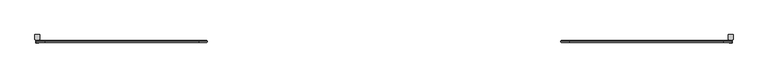
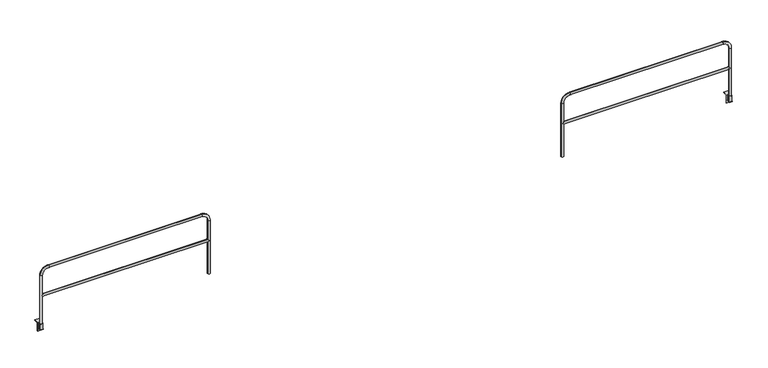
"""IFC4 building model written with IfcOpenShell, lengths in millimetres: railing geometry."""

import ifcopenshell
import ifcopenshell.guid

model = None  # the IFC model being written
_history = None  # IfcOwnerHistory: only IFC2X3 demands one
_inside = {}  # id of a spatial element -> (the spatial element, [elements in it])
_under = {}  # id of a project, library or spatial element -> (it, [spatial elements below it])
_declared = {}  # id of a project -> (the project, [libraries it declares])
_typed = {}  # id of a type object -> (the type object, [elements of that type])
_made_of = {}  # id of a material, layer set ... -> (it, [elements and type objects made of it])


def new_model(schema):
    """Start an empty IFC model of exactly this schema.

    Asked for "IFC4X3", IfcOpenShell would pick the latest addendum, in which some entities
    have other attributes; the version numbers below select the first issue.
    IFC2X3 requires an IfcOwnerHistory on every rooted entity: one is made here for all.
    """
    global model, _history
    if schema == "IFC4X3":
        model = ifcopenshell.file(schema_version=(4, 3, 0, 0))
    else:
        model = ifcopenshell.file(schema=schema)
    _inside.clear()
    _under.clear()
    _declared.clear()
    _typed.clear()
    _made_of.clear()
    _history = None
    if model.schema == "IFC2X3":
        org = make("IfcOrganization", Name="unknown")
        user = make(
            "IfcPersonAndOrganization",
            ThePerson=make("IfcPerson", FamilyName="unknown"),
            TheOrganization=org,
        )
        app = make(
            "IfcApplication",
            ApplicationDeveloper=org,
            Version="unknown",
            ApplicationFullName="unknown",
            ApplicationIdentifier="unknown",
        )
        _history = make(
            "IfcOwnerHistory",
            OwningUser=user,
            OwningApplication=app,
            ChangeAction="ADDED",
            CreationDate=0,
        )
    return model


def make(cls, **values):
    """One entity of the class cls with the attributes given. An attribute that is None is left unset."""
    return model.create_entity(
        cls, **{name: value for name, value in values.items() if value is not None}
    )


def rooted(cls, **values):
    """An entity with a GlobalId (a new one), such as an element, a storey or a relation."""
    return make(cls, GlobalId=ifcopenshell.guid.new(), OwnerHistory=_history, **values)


def si_unit(unit_type, name, prefix=None):
    """IfcSIUnit, for example si_unit("LENGTHUNIT", "METRE", prefix="MILLI")."""
    return make("IfcSIUnit", UnitType=unit_type, Prefix=prefix, Name=name)


def assignment(units):
    """IfcUnitAssignment: the units of a project."""
    return None if units is None else make("IfcUnitAssignment", Units=units)


def point(xyz):
    """IfcCartesianPoint."""
    return None if xyz is None else make("IfcCartesianPoint", Coordinates=xyz)


def direction(xyz):
    """IfcDirection."""
    return None if xyz is None else make("IfcDirection", DirectionRatios=xyz)


def frame(location, z_axis=None, x_axis=None):
    """IfcAxis2Placement3D, a coordinate frame: its origin and axes. An axis left out is left unset."""
    return make(
        "IfcAxis2Placement3D",
        Location=point(location),
        Axis=direction(z_axis),
        RefDirection=direction(x_axis),
    )


def frame_2d(location, x_axis=None):
    """IfcAxis2Placement2D, a coordinate frame in the plane: its origin and x axis."""
    return make(
        "IfcAxis2Placement2D", Location=point(location), RefDirection=direction(x_axis)
    )


def origin():
    """The frame at (0, 0, 0) with its axes left unset."""
    return frame((0.0, 0.0, 0.0))


def place(relative_to, where):
    """IfcLocalPlacement: puts the frame where relative to a parent placement (None: the world)."""
    return make(
        "IfcLocalPlacement", PlacementRelTo=relative_to, RelativePlacement=where
    )


def context(
    kind, dimensions, precision=None, world=None, true_north=None, identifier=None
):
    """IfcGeometricRepresentationContext, for example the 3D "Model" context."""
    return make(
        "IfcGeometricRepresentationContext",
        ContextIdentifier=identifier,
        ContextType=kind,
        CoordinateSpaceDimension=dimensions,
        Precision=precision,
        WorldCoordinateSystem=world,
        TrueNorth=true_north,
    )


def project(units=None, contexts=None):
    """IfcProject with its units and contexts."""
    return rooted(
        "IfcProject",
        Name="project",
        RepresentationContexts=contexts,
        UnitsInContext=assignment(units),
    )


def spatial(cls, under=None, at=None, **own):
    """A site, building, storey or space (cls), placed at a placement, below another one or the project."""
    s = rooted(cls, ObjectPlacement=at, **own)
    if under is not None:
        _under.setdefault(under.id(), (under, []))[1].append(s)
    return s


def polyline(points):
    """IfcPolyline through the points."""
    return make("IfcPolyline", Points=[point(p) for p in points])


def circle_curve(where, radius):
    """IfcCircle in the frame where."""
    return make("IfcCircle", Position=where, Radius=radius)


def ellipse_curve(where, semi_axis1, semi_axis2):
    """IfcEllipse in the frame where."""
    return make(
        "IfcEllipse", Position=where, SemiAxis1=semi_axis1, SemiAxis2=semi_axis2
    )


def trimmed(basis, trim1, trim2, sense, master):
    """IfcTrimmedCurve: the piece of a basis curve between two trims."""
    return make(
        "IfcTrimmedCurve",
        BasisCurve=basis,
        Trim1=trim1,
        Trim2=trim2,
        SenseAgreement=sense,
        MasterRepresentation=master,
    )


def segment(curve, same_sense, transition):
    """IfcCompositeCurveSegment."""
    return make(
        "IfcCompositeCurveSegment",
        Transition=transition,
        SameSense=same_sense,
        ParentCurve=curve,
    )


def composite_curve(segments, self_intersect=None):
    """IfcCompositeCurve: segments joined end to end."""
    return make("IfcCompositeCurve", Segments=segments, SelfIntersect=self_intersect)


def outline(outer, holes=None, kind="AREA"):
    """IfcArbitraryClosedProfileDef: a profile drawn as a closed curve; with holes, ...WithVoids."""
    if holes is None:
        return make("IfcArbitraryClosedProfileDef", ProfileType=kind, OuterCurve=outer)
    return make(
        "IfcArbitraryProfileDefWithVoids",
        ProfileType=kind,
        OuterCurve=outer,
        InnerCurves=holes,
    )


def extrude(swept, where, along, depth):
    """IfcExtrudedAreaSolid: the profile swept, set in the frame where, extruded along a direction by depth."""
    return make(
        "IfcExtrudedAreaSolid",
        SweptArea=swept,
        Position=where,
        ExtrudedDirection=direction(along),
        Depth=depth,
    )


def shape(context_of_items, identifier, shape_type, items):
    """IfcShapeRepresentation: the items that make up one representation, for example the "Body"."""
    return make(
        "IfcShapeRepresentation",
        ContextOfItems=context_of_items,
        RepresentationIdentifier=identifier,
        RepresentationType=shape_type,
        Items=items,
    )


def source(mapping_origin, context_of_items, identifier, shape_type, items):
    """IfcRepresentationMap: a shape defined once, which mapped items show again and again."""
    return make(
        "IfcRepresentationMap",
        MappingOrigin=mapping_origin,
        MappedRepresentation=shape(context_of_items, identifier, shape_type, items),
    )


def transform(
    local_origin,
    x_axis=None,
    y_axis=None,
    z_axis=None,
    scale=None,
    scale2=None,
    scale3=None,
    uniform=True,
):
    """IfcCartesianTransformationOperator3D, or its non-uniform kind. x_axis, y_axis, z_axis: its Axis1, 2, 3."""
    if uniform:
        return make(
            "IfcCartesianTransformationOperator3D",
            Axis1=direction(x_axis),
            Axis2=direction(y_axis),
            LocalOrigin=point(local_origin),
            Scale=scale,
            Axis3=direction(z_axis),
        )
    return make(
        "IfcCartesianTransformationOperator3DnonUniform",
        Axis1=direction(x_axis),
        Axis2=direction(y_axis),
        LocalOrigin=point(local_origin),
        Scale=scale,
        Axis3=direction(z_axis),
        Scale2=scale2,
        Scale3=scale3,
    )


def mapped(mapping_source, mapping_target):
    """IfcMappedItem: shows the shape of a source again, moved by a transform."""
    return make(
        "IfcMappedItem", MappingSource=mapping_source, MappingTarget=mapping_target
    )


def made_of(thing, what):
    """Note that an element or type object is made of a material, layer set ...; save() writes the relation."""
    if what is not None:
        _made_of.setdefault(what.id(), (what, []))[1].append(thing)
    return thing


def element(
    cls,
    number,
    at=None,
    inside=None,
    cuts=None,
    type_object=None,
    material=None,
    context=None,
    identifier="Body",
    shape_type=None,
    held_by="IfcProductDefinitionShape",
    body=None,
    shapes=None,
    **own,
):
    """One element of the class cls, such as IfcWall. Its Tag is "e" and its number.

    at: its placement. inside: the storey or other place that contains it. cuts: it is an
    opening in that element (IfcRelVoidsElement). A single representation is given by context,
    identifier, shape_type and body (its items); several are given by shapes. held_by: the class
    of the entity that holds the representations. save() writes the other relations.
    """
    e = rooted(cls, Tag="e%d" % number, ObjectPlacement=at, **own)
    if body is not None:
        shapes = [shape(context, identifier, shape_type, body)]
    if shapes is not None:
        e.Representation = make(held_by, Representations=shapes)
    if inside is not None:
        _inside.setdefault(inside.id(), (inside, []))[1].append(e)
    if cuts is not None:
        rooted(
            "IfcRelVoidsElement", RelatingBuildingElement=cuts, RelatedOpeningElement=e
        )
    if type_object is not None:
        _typed.setdefault(type_object.id(), (type_object, []))[1].append(e)
    return made_of(e, material)


def aggregate(whole, parts):
    """IfcRelAggregates: a whole, such as a stair, and the parts it consists of."""
    return rooted("IfcRelAggregates", RelatingObject=whole, RelatedObjects=parts)


def save(model, path):
    """Write the relations noted so far, then the file.

    IfcRelAggregates (storeys below a building ...), IfcRelContainedInSpatialStructure (elements
    in a storey), IfcRelDefinesByType, IfcRelAssociatesMaterial and IfcRelDeclares: one each for
    every whole, place, type object, material and project.
    """
    for whole, parts in _under.values():
        aggregate(whole, parts)
    for where, things in _inside.values():
        rooted(
            "IfcRelContainedInSpatialStructure",
            RelatedElements=things,
            RelatingStructure=where,
        )
    for kind, things in _typed.values():
        rooted("IfcRelDefinesByType", RelatedObjects=things, RelatingType=kind)
    for what, things in _made_of.values():
        rooted("IfcRelAssociatesMaterial", RelatedObjects=things, RelatingMaterial=what)
    for by, libraries in _declared.values():
        rooted("IfcRelDeclares", RelatingContext=by, RelatedDefinitions=libraries)
    model.write(path)


def plane_surface(at):
    """IfcPlane: the flat surface through the origin of the frame at, square to its z axis."""
    return make("IfcPlane", Position=at)


def cylinder_surface(at, radius):
    """IfcCylindricalSurface: all points at the distance radius from the z axis of the frame at."""
    return make("IfcCylindricalSurface", Position=at, Radius=radius)


def revolved_surface(curve, axis_point, axis_direction):
    """IfcSurfaceOfRevolution: the curve turned about the line through axis_point along axis_direction."""
    return make(
        "IfcSurfaceOfRevolution",
        SweptCurve=make("IfcArbitraryOpenProfileDef", ProfileType="CURVE", Curve=curve),
        AxisPosition=make("IfcAxis1Placement", Location=point(axis_point), Axis=direction(axis_direction)),
    )


def advanced_brep(points, edges, surfaces, faces):
    """IfcAdvancedBrep: a solid bounded by faces that lie on surfaces and meet in shared edges.

    An edge is (start, end): straight between two places in points (the first is 0);
    or (start, end, curve); or (start, end, curve, False) where it runs against its curve.
    A face is (place in surfaces, loops), or (place, loops, False) where it looks against
    its surface's normal. A loop lists edges by number (the first is 1), with a minus sign
    where the edge is run from its end to its start. The first loop is the outer one.
    """
    corners = [point(p) for p in points]
    vertices = [make("IfcVertexPoint", VertexGeometry=c) for c in corners]
    made = []
    for start, end, *more in edges:
        made.append(
            make(
                "IfcEdgeCurve",
                EdgeStart=vertices[start],
                EdgeEnd=vertices[end],
                EdgeGeometry=more[0] if more else make("IfcPolyline", Points=[corners[start], corners[end]]),
                SameSense=more[1] if len(more) > 1 else True,
            )
        )
    hull = []
    for where, loops, *sense in faces:
        bounds = []
        for j, loop in enumerate(loops):
            ring = [make("IfcOrientedEdge", EdgeElement=made[abs(k) - 1], Orientation=k > 0) for k in loop]
            bounds.append(
                make(
                    "IfcFaceOuterBound" if j == 0 else "IfcFaceBound",
                    Bound=make("IfcEdgeLoop", EdgeList=ring),
                    Orientation=True,
                )
            )
        hull.append(make("IfcAdvancedFace", Bounds=bounds, FaceSurface=surfaces[where], SameSense=sense[0] if sense else True))
    return make("IfcAdvancedBrep", Outer=make("IfcClosedShell", CfsFaces=hull))


def railing_5fa0f4e5(model_context):
    return source(origin(), model_context, "Body", "SolidModel", [
        advanced_brep(
        [(28109.8496377, 9318.0676937, -95.25), (28109.8496377, 9345.0551937, -95.25), (28109.8496377, 9383.1551937, -95.25), (28109.8496377, 9383.1551937, -101.6), (28109.8496377, 9318.0676937, -101.6), (28109.8496377, 9383.1551937, 6.35), (28109.8496377, 9383.1551937, 0.0), (28109.8496377, 9345.0551937, 0.0), (28109.8496377, 9345.0551937, 6.35), (28163.8246377, 9383.1551937, -101.6), (28163.8246377, 9383.1551937, -95.25), (28163.8246377, 9345.0551937, -95.25), (28163.8246377, 9318.0676937, -95.25), (28163.8246377, 9318.0676937, -101.6), (28163.8246377, 9383.1551937, 0.0), (28163.8246377, 9383.1551937, 6.35), (28163.8246377, 9345.0551937, 6.35), (28163.8246377, 9345.0551937, 0.0), (28178.205601, 9465.7051937, 6.35), (28095.4686744, 9465.7051937, 6.35), (28095.4686744, 9383.1551937, 6.35), (28178.205601, 9383.1551937, 6.35), (28178.205601, 9465.7051937, 0.0), (28095.4686744, 9465.7051937, 0.0), (28178.205601, 9389.5051937, 0.0), (28163.8246377, 9389.5051937, 0.0), (28109.8496377, 9389.5051937, 0.0), (28095.4686744, 9389.5051937, 0.0), (28163.8246377, 9389.5051937, -95.25), (28178.205601, 9389.5051937, -152.4), (28095.4686744, 9389.5051937, -152.4), (28109.8496377, 9389.5051937, -95.25), (28136.8371377, 9318.0676937, -95.25), (28178.205601, 9383.1551937, -152.4), (28095.4686744, 9383.1551937, -152.4)],
        [
            (0, 1),
            (1, 2),
            (2, 3),
            (3, 4),
            (4, 0),
            (5, 6),
            (6, 7),
            (7, 8),
            (8, 5),
            (9, 10),
            (10, 11),
            (11, 12),
            (12, 13),
            (13, 9),
            (14, 15),
            (15, 16),
            (16, 17),
            (17, 14),
            (18, 19),
            (19, 20),
            (20, 5),
            (8, 16, circle_curve(frame((28136.8371377, 9345.0551937, 6.35), z_axis=(0.0, 0.0, -1.0), x_axis=(-1.0, 0.0, 0.0)), 26.9875)),
            (15, 21),
            (21, 18),
            (22, 23),
            (23, 19),
            (18, 22),
            (24, 25),
            (25, 14),
            (17, 7, circle_curve(frame((28136.8371377, 9345.0551937, 0.0), z_axis=(0.0, 0.0, 1.0), x_axis=(-1.0, 0.0, 0.0)), 26.9875)),
            (6, 26),
            (26, 27),
            (27, 23),
            (22, 24),
            (28, 25),
            (24, 29),
            (29, 30),
            (30, 27),
            (26, 31),
            (31, 28),
            (31, 2),
            (0, 32),
            (32, 12),
            (10, 28),
            (4, 13),
            (3, 9),
            (21, 33),
            (33, 29),
            (10, 14),
            (30, 34),
            (34, 20),
            (6, 2),
            (34, 33),
        ],
        [
            plane_surface(frame((28109.8496377, 9389.5051937, 0.0), z_axis=(-1.0, 0.0, 0.0), x_axis=(0.0, 0.0, 1.0))),
            plane_surface(frame((28163.8246377, 9389.5051937, 0.0), z_axis=(1.0, 0.0, 0.0), x_axis=(0.0, 0.0, 1.0))),
            plane_surface(frame((28109.8496377, 9465.7051937, 6.35), z_axis=(0.0, 0.0, 1.0), x_axis=(1.0, 0.0, 0.0))),
            plane_surface(frame((28109.8496377, 9465.7051937, 0.0), z_axis=(0.0, 1.0, 0.0), x_axis=(1.0, 0.0, 0.0))),
            plane_surface(frame((28109.8496377, 9345.0551937, 0.0), z_axis=(0.0, 0.0, -1.0), x_axis=(1.0, 0.0, 0.0))),
            plane_surface(frame((28109.8496377, 9389.5051937, -152.4), z_axis=(0.0, 1.0, 0.0), x_axis=(1.0, 0.0, 0.0))),
            plane_surface(frame((28109.8496377, 9389.5051937, -95.25), z_axis=(0.0, 0.0, 1.0), x_axis=(1.0, 0.0, 0.0))),
            plane_surface(frame((28109.8496377, 9318.0676937, -95.25), z_axis=(0.0, -1.0, 0.0), x_axis=(1.0, 0.0, 0.0))),
            plane_surface(frame((28109.8496377, 9318.0676937, -101.6), z_axis=(0.0, 0.0, -1.0), x_axis=(1.0, 0.0, 0.0))),
            plane_surface(frame((28178.205601, 9389.5051937, 0.0), z_axis=(1.0, 0.0, 0.0), x_axis=(0.0, 0.0, 1.0))),
            plane_surface(frame((28163.8246377, 9389.5051937, 0.0), z_axis=(-1.0, 0.0, 0.0), x_axis=(0.0, 0.0, 1.0))),
            plane_surface(frame((28095.4686744, 9389.5051937, 0.0), z_axis=(-1.0, 0.0, 0.0), x_axis=(0.0, 0.0, 1.0))),
            plane_surface(frame((28109.8496377, 9389.5051937, 0.0), z_axis=(1.0, 0.0, 0.0), x_axis=(0.0, 0.0, 1.0))),
            revolved_surface(polyline([(28109.8496377, 9345.0551937, 6.349999999999994), (28109.8496377, 9345.0551937, 0.0)]), (28136.8371377, 9345.0551937, -95.25), (0.0, 0.0, 1.0)),
            plane_surface(frame((28109.8496377, 9383.1551937, -101.6), z_axis=(0.0, -1.0, 0.0), x_axis=(1.0, 0.0, 0.0))),
            plane_surface(frame((28109.8496377, 9383.1551937, -152.4), z_axis=(0.0, 0.0, -1.0), x_axis=(1.0, 0.0, 0.0))),
        ],
        [
            (0, [[1, 2, 3, 4, 5]]),
            (0, [[6, 7, 8, 9]]),
            (1, [[10, 11, 12, 13, 14]]),
            (1, [[15, 16, 17, 18]]),
            (2, [[19, 20, 21, -9, 22, -16, 23, 24]]),
            (3, [[25, 26, -19, 27]]),
            (4, [[28, 29, -18, 30, -7, 31, 32, 33, -25, 34]]),
            (5, [[35, -28, 36, 37, 38, -32, 39, 40]]),
            (6, [[41, -2, -1, 42, 43, -12, -11, 44, -40]]),
            (7, [[45, -13, -43, -42, -5]]),
            (8, [[46, -14, -45, -4]]),
            (9, [[-36, -34, -27, -24, 47, 48]]),
            (10, [[-44, 49, -29, -35]]),
            (11, [[50, 51, -20, -26, -33, -38]]),
            (12, [[-31, 52, -41, -39]]),
            (13, [[-30, -17, -22, -8]]),
            (14, [[-3, -52, -6, -21, -51, 53, -47, -23, -15, -49, -10, -46]]),
            (15, [[-53, -50, -37, -48]]),
        ],
    ),
        extrude(outline(composite_curve([segment(trimmed(circle_curve(frame_2d((28136.8371377, 9345.0551937)), 26.9875), [point((28163.8246377, 9345.0551937))], [point((28109.8496377, 9345.0551937))], False, "CARTESIAN"), True, "CONTINUOUS"), segment(trimmed(circle_curve(frame_2d((28136.8371377, 9345.0551937)), 26.9875), [point((28109.8496377, 9345.0551937))], [point((28163.8246377, 9345.0551937))], False, "CARTESIAN"), True, "CONTINUOUS")], self_intersect=False), holes=[composite_curve([segment(trimmed(circle_curve(frame_2d((28136.8371377, 9345.0551937)), 20.6375), [point((28157.4746377, 9345.0551937))], [point((28116.1996377, 9345.0551937))], True, "CARTESIAN"), True, "CONTINUOUS"), segment(trimmed(circle_curve(frame_2d((28136.8371377, 9345.0551937)), 20.6375), [point((28116.1996377, 9345.0551937))], [point((28157.4746377, 9345.0551937))], True, "CARTESIAN"), True, "CONTINUOUS")], self_intersect=False)]), frame((0.0, 0.0, -95.25), z_axis=(0.0, 0.0, 1.0), x_axis=(1.0, 0.0, 0.0)), (0.0, 0.0, 1.0), 101.6),
        advanced_brep(
        [(25150.7496377, 9345.0551937, 554.0375), (25130.1121377, 9324.4176937, 533.4), (25150.7496377, 9345.0551937, 512.7625), (28116.1996377, 9345.0551937, 512.7625), (28136.8371377, 9324.4176937, 533.4), (28116.1996377, 9345.0551937, 554.0375), (28136.8371377, 9365.6926937, 533.4), (25130.1121377, 9365.6926937, 533.4), (25109.4746377, 9345.0551937, -95.25), (25150.7496377, 9345.0551937, -95.25), (25150.7496377, 9345.0551937, 914.4), (25109.4746377, 9345.0551937, 914.4), (25261.8746377, 9345.0551937, 1025.525), (25261.8746377, 9345.0551937, 1066.8), (28005.0746377, 9345.0551937, 1025.525), (28005.0746377, 9345.0551937, 1066.8), (28116.1996377, 9345.0551937, 914.4), (28157.4746377, 9345.0551937, 914.4), (28157.4746377, 9345.0551937, -95.25), (28116.1996377, 9345.0551937, -95.25)],
        [
            (0, 1, ellipse_curve(frame((25130.1121377, 9345.0551937, 533.4), z_axis=(0.7071067811865475, 0.0, -0.7071067811865475), x_axis=(-0.7071067811865476, 0.0, -0.7071067811865474)), 29.1858324, 20.6375)),
            (1, 2, ellipse_curve(frame((25130.1121377, 9345.0551937, 533.4), z_axis=(0.7071067811865475, 0.0, 0.7071067811865475), x_axis=(-0.7071067811865476, 0.0, 0.7071067811865474)), 29.1858324, 20.6375)),
            (2, 3),
            (3, 4, ellipse_curve(frame((28136.8371377, 9345.0551937, 533.4), z_axis=(-0.7071067811865475, 0.0, 0.7071067811865475), x_axis=(-0.7071067811865476, 0.0, -0.7071067811865474)), 29.1858324, 20.6375)),
            (4, 5, ellipse_curve(frame((28136.8371377, 9345.0551937, 533.4), z_axis=(-0.7071067811865475, 0.0, -0.7071067811865475), x_axis=(-0.7071067811865476, 0.0, 0.7071067811865474)), 29.1858324, 20.6375)),
            (5, 0),
            (5, 6, ellipse_curve(frame((28136.8371377, 9345.0551937, 533.4), z_axis=(-0.7071067811865475, 0.0, -0.7071067811865475), x_axis=(-0.7071067811865476, 0.0, 0.7071067811865474)), 29.1858324, 20.6375)),
            (6, 3, ellipse_curve(frame((28136.8371377, 9345.0551937, 533.4), z_axis=(-0.7071067811865475, 0.0, 0.7071067811865475), x_axis=(-0.7071067811865476, 0.0, -0.7071067811865474)), 29.1858324, 20.6375)),
            (2, 7, ellipse_curve(frame((25130.1121377, 9345.0551937, 533.4), z_axis=(0.7071067811865475, 0.0, 0.7071067811865475), x_axis=(-0.7071067811865476, 0.0, 0.7071067811865474)), 29.1858324, 20.6375)),
            (7, 0, ellipse_curve(frame((25130.1121377, 9345.0551937, 533.4), z_axis=(0.7071067811865475, 0.0, -0.7071067811865475), x_axis=(-0.7071067811865476, 0.0, -0.7071067811865474)), 29.1858324, 20.6375)),
            (8, 9, circle_curve(frame((25130.1121377, 9345.0551937, -95.25), z_axis=(0.0, 0.0, -1.0), x_axis=(1.0, 0.0, 0.0)), 20.6375)),
            (9, 8, circle_curve(frame((25130.1121377, 9345.0551937, -95.25), z_axis=(0.0, 0.0, -1.0), x_axis=(1.0, 0.0, 0.0)), 20.6375)),
            (9, 2),
            (0, 10),
            (10, 11, circle_curve(frame((25130.1121377, 9345.0551937, 914.4), z_axis=(0.0, 0.0, -1.0), x_axis=(1.0, 0.0, 0.0)), 20.6375)),
            (11, 8),
            (11, 10, circle_curve(frame((25130.1121377, 9345.0551937, 914.4), z_axis=(0.0, 0.0, -1.0), x_axis=(1.0, 0.0, 0.0)), 20.6375)),
            (10, 12, circle_curve(frame((25261.8746377, 9345.0551937, 914.4), z_axis=(0.0, 1.0, 0.0), x_axis=(-1.0, 0.0, 0.0)), 111.125)),
            (12, 13, circle_curve(frame((25261.8746377, 9345.0551937, 1046.1625), z_axis=(-1.0, 0.0, 0.0), x_axis=(0.0, 0.0, -1.0)), 20.6375)),
            (13, 11, circle_curve(frame((25261.8746377, 9345.0551937, 914.4), z_axis=(0.0, -1.0, 0.0), x_axis=(-1.0, 0.0, 0.0)), 152.4)),
            (13, 12, circle_curve(frame((25261.8746377, 9345.0551937, 1046.1625), z_axis=(-1.0, 0.0, 0.0), x_axis=(0.0, 0.0, -1.0)), 20.6375)),
            (12, 14),
            (14, 15, circle_curve(frame((28005.0746377, 9345.0551937, 1046.1625), z_axis=(-1.0, 0.0, 0.0), x_axis=(0.0, 0.0, -1.0)), 20.6375)),
            (15, 13),
            (15, 14, circle_curve(frame((28005.0746377, 9345.0551937, 1046.1625), z_axis=(-1.0, 0.0, 0.0), x_axis=(0.0, 0.0, -1.0)), 20.6375)),
            (14, 16, circle_curve(frame((28005.0746377, 9345.0551937, 914.4), z_axis=(0.0, 1.0, 0.0), x_axis=(0.0, 0.0, 1.0)), 111.125)),
            (16, 17, circle_curve(frame((28136.8371377, 9345.0551937, 914.4), z_axis=(0.0, 0.0, 1.0), x_axis=(-1.0, 0.0, 0.0)), 20.6375)),
            (17, 15, circle_curve(frame((28005.0746377, 9345.0551937, 914.4), z_axis=(0.0, -1.0, 0.0), x_axis=(0.0, 0.0, 1.0)), 152.4)),
            (17, 16, circle_curve(frame((28136.8371377, 9345.0551937, 914.4), z_axis=(0.0, 0.0, 1.0), x_axis=(-1.0, 0.0, 0.0)), 20.6375)),
            (18, 19, circle_curve(frame((28136.8371377, 9345.0551937, -95.25), z_axis=(0.0, 0.0, -1.0), x_axis=(-1.0, 0.0, 0.0)), 20.6375)),
            (19, 18, circle_curve(frame((28136.8371377, 9345.0551937, -95.25), z_axis=(0.0, 0.0, -1.0), x_axis=(-1.0, 0.0, 0.0)), 20.6375)),
            (16, 5),
            (3, 19),
            (18, 17),
        ],
        [
            cylinder_surface(frame((25130.1121377, 9345.0551937, 533.4), z_axis=(-1.0, 0.0, 0.0), x_axis=(0.0, 0.0, -1.0)), 20.6375),
            plane_surface(frame((25109.4746377, 9345.0551937, -95.25), z_axis=(0.0, 0.0, -1.0), x_axis=(0.0, -1.0, 0.0))),
            cylinder_surface(frame((25130.1121377, 9345.0551937, -95.25), z_axis=(0.0, 0.0, -1.0), x_axis=(1.0, 0.0, 0.0)), 20.6375),
            revolved_surface(trimmed(ellipse_curve(frame((25130.1121377, 9345.0551937, 914.4), z_axis=(0.0, 0.0, 1.0), x_axis=(1.0, 0.0, 0.0)), 20.6375, 20.6375), [point((25109.4746377, 9345.0551937, 914.4))], [point((25150.7496377, 9345.0551937, 914.4))], True, "CARTESIAN"), (25261.8746377, 9345.0551937, 914.4), (0.0, -1.0, 0.0)),
            revolved_surface(trimmed(ellipse_curve(frame((25130.1121377, 9345.0551937, 914.4), z_axis=(0.0, 0.0, 1.0), x_axis=(1.0, 0.0, 0.0)), 20.6375, 20.6375), [point((25150.7496377, 9345.0551937, 914.4))], [point((25109.4746377, 9345.0551937, 914.4))], True, "CARTESIAN"), (25261.8746377, 9345.0551937, 914.4), (0.0, -1.0, 0.0)),
            cylinder_surface(frame((25261.8746377, 9345.0551937, 1046.1625), z_axis=(-1.0, 0.0, 0.0), x_axis=(0.0, 0.0, -1.0)), 20.6375),
            revolved_surface(trimmed(ellipse_curve(frame((28005.0746377, 9345.0551937, 1046.1625), z_axis=(1.0, 0.0, 0.0), x_axis=(0.0, 0.0, -1.0)), 20.6375, 20.6375), [point((28005.0746377, 9345.0551937, 1066.8))], [point((28005.0746377, 9345.0551937, 1025.525))], True, "CARTESIAN"), (28005.0746377, 9345.0551937, 914.4), (0.0, -1.0, 0.0)),
            revolved_surface(trimmed(ellipse_curve(frame((28005.0746377, 9345.0551937, 1046.1625), z_axis=(1.0, 0.0, 0.0), x_axis=(0.0, 0.0, -1.0)), 20.6375, 20.6375), [point((28005.0746377, 9345.0551937, 1025.525))], [point((28005.0746377, 9345.0551937, 1066.8))], True, "CARTESIAN"), (28005.0746377, 9345.0551937, 914.4), (0.0, -1.0, 0.0)),
            plane_surface(frame((28157.4746377, 9345.0551937, -95.25), z_axis=(0.0, 0.0, -1.0), x_axis=(0.0, -1.0, 0.0))),
            cylinder_surface(frame((28136.8371377, 9345.0551937, 914.4), z_axis=(0.0, 0.0, 1.0), x_axis=(-1.0, 0.0, 0.0)), 20.6375),
        ],
        [
            (0, [[1, 2, 3, 4, 5, 6]]),
            (0, [[7, 8, -3, 9, 10, -6]]),
            (1, [[11, 12]]),
            (2, [[13, -2, -1, 14, 15, 16, -12]]),
            (2, [[-16, 17, -14, -10, -9, -13, -11]]),
            (3, [[18, 19, 20, -15]]),
            (4, [[-20, 21, -18, -17]]),
            (5, [[22, 23, 24, -19]]),
            (5, [[-24, 25, -22, -21]]),
            (6, [[26, 27, 28, -23]]),
            (7, [[-28, 29, -26, -25]]),
            (8, [[30, 31]]),
            (9, [[32, -5, -4, 33, -30, 34, -27]]),
            (9, [[-34, -31, -33, -8, -7, -32, -29]]),
        ],
    ),
        advanced_brep(
        [(15759.7346377, 9318.0676937, -95.25), (15759.7346377, 9345.0551937, -95.25), (15759.7346377, 9383.1551937, -95.25), (15759.7346377, 9383.1551937, -101.6), (15759.7346377, 9318.0676937, -101.6), (15759.7346377, 9383.1551937, 6.35), (15759.7346377, 9383.1551937, 0.0), (15759.7346377, 9345.0551937, 0.0), (15759.7346377, 9345.0551937, 6.35), (15813.7096377, 9383.1551937, -101.6), (15813.7096377, 9383.1551937, -95.25), (15813.7096377, 9345.0551937, -95.25), (15813.7096377, 9318.0676937, -95.25), (15813.7096377, 9318.0676937, -101.6), (15813.7096377, 9383.1551937, 0.0), (15813.7096377, 9383.1551937, 6.35), (15813.7096377, 9345.0551937, 6.35), (15813.7096377, 9345.0551937, 0.0), (15828.090601, 9465.7051937, 6.35), (15745.3536744, 9465.7051937, 6.35), (15745.3536744, 9383.1551937, 6.35), (15828.090601, 9383.1551937, 6.35), (15828.090601, 9465.7051937, 0.0), (15745.3536744, 9465.7051937, 0.0), (15828.090601, 9389.5051937, 0.0), (15813.7096377, 9389.5051937, 0.0), (15759.7346377, 9389.5051937, 0.0), (15745.3536744, 9389.5051937, 0.0), (15813.7096377, 9389.5051937, -95.25), (15828.090601, 9389.5051937, -152.4), (15745.3536744, 9389.5051937, -152.4), (15759.7346377, 9389.5051937, -95.25), (15786.7221377, 9318.0676937, -95.25), (15828.090601, 9383.1551937, -152.4), (15745.3536744, 9383.1551937, -152.4)],
        [
            (0, 1),
            (1, 2),
            (2, 3),
            (3, 4),
            (4, 0),
            (5, 6),
            (6, 7),
            (7, 8),
            (8, 5),
            (9, 10),
            (10, 11),
            (11, 12),
            (12, 13),
            (13, 9),
            (14, 15),
            (15, 16),
            (16, 17),
            (17, 14),
            (18, 19),
            (19, 20),
            (20, 5),
            (8, 16, circle_curve(frame((15786.7221377, 9345.0551937, 6.35), z_axis=(0.0, 0.0, -1.0), x_axis=(-1.0, 0.0, 0.0)), 26.9875)),
            (15, 21),
            (21, 18),
            (22, 23),
            (23, 19),
            (18, 22),
            (24, 25),
            (25, 14),
            (17, 7, circle_curve(frame((15786.7221377, 9345.0551937, 0.0), z_axis=(0.0, 0.0, 1.0), x_axis=(-1.0, 0.0, 0.0)), 26.9875)),
            (6, 26),
            (26, 27),
            (27, 23),
            (22, 24),
            (28, 25),
            (24, 29),
            (29, 30),
            (30, 27),
            (26, 31),
            (31, 28),
            (31, 2),
            (0, 32),
            (32, 12),
            (10, 28),
            (4, 13),
            (3, 9),
            (21, 33),
            (33, 29),
            (10, 14),
            (30, 34),
            (34, 20),
            (6, 2),
            (34, 33),
        ],
        [
            plane_surface(frame((15759.7346377, 9389.5051937, 0.0), z_axis=(-1.0, 0.0, 0.0), x_axis=(0.0, 0.0, 1.0))),
            plane_surface(frame((15813.7096377, 9389.5051937, 0.0), z_axis=(1.0, 0.0, 0.0), x_axis=(0.0, 0.0, 1.0))),
            plane_surface(frame((15759.7346377, 9465.7051937, 6.35), z_axis=(0.0, 0.0, 1.0), x_axis=(1.0, 0.0, 0.0))),
            plane_surface(frame((15759.7346377, 9465.7051937, 0.0), z_axis=(0.0, 1.0, 0.0), x_axis=(1.0, 0.0, 0.0))),
            plane_surface(frame((15759.7346377, 9345.0551937, 0.0), z_axis=(0.0, 0.0, -1.0), x_axis=(1.0, 0.0, 0.0))),
            plane_surface(frame((15759.7346377, 9389.5051937, -152.4), z_axis=(0.0, 1.0, 0.0), x_axis=(1.0, 0.0, 0.0))),
            plane_surface(frame((15759.7346377, 9389.5051937, -95.25), z_axis=(0.0, 0.0, 1.0), x_axis=(1.0, 0.0, 0.0))),
            plane_surface(frame((15759.7346377, 9318.0676937, -95.25), z_axis=(0.0, -1.0, 0.0), x_axis=(1.0, 0.0, 0.0))),
            plane_surface(frame((15759.7346377, 9318.0676937, -101.6), z_axis=(0.0, 0.0, -1.0), x_axis=(1.0, 0.0, 0.0))),
            plane_surface(frame((15828.090601, 9389.5051937, 0.0), z_axis=(1.0, 0.0, 0.0), x_axis=(0.0, 0.0, 1.0))),
            plane_surface(frame((15813.7096377, 9389.5051937, 0.0), z_axis=(-1.0, 0.0, 0.0), x_axis=(0.0, 0.0, 1.0))),
            plane_surface(frame((15745.3536744, 9389.5051937, 0.0), z_axis=(-1.0, 0.0, 0.0), x_axis=(0.0, 0.0, 1.0))),
            plane_surface(frame((15759.7346377, 9389.5051937, 0.0), z_axis=(1.0, 0.0, 0.0), x_axis=(0.0, 0.0, 1.0))),
            revolved_surface(polyline([(15759.734637700001, 9345.0551937, 6.349999999999994), (15759.734637700001, 9345.0551937, 0.0)]), (15786.7221377, 9345.0551937, -95.25), (0.0, 0.0, 1.0)),
            plane_surface(frame((15759.7346377, 9383.1551937, -101.6), z_axis=(0.0, -1.0, 0.0), x_axis=(1.0, 0.0, 0.0))),
            plane_surface(frame((15759.7346377, 9383.1551937, -152.4), z_axis=(0.0, 0.0, -1.0), x_axis=(1.0, 0.0, 0.0))),
        ],
        [
            (0, [[1, 2, 3, 4, 5]]),
            (0, [[6, 7, 8, 9]]),
            (1, [[10, 11, 12, 13, 14]]),
            (1, [[15, 16, 17, 18]]),
            (2, [[19, 20, 21, -9, 22, -16, 23, 24]]),
            (3, [[25, 26, -19, 27]]),
            (4, [[28, 29, -18, 30, -7, 31, 32, 33, -25, 34]]),
            (5, [[35, -28, 36, 37, 38, -32, 39, 40]]),
            (6, [[41, -2, -1, 42, 43, -12, -11, 44, -40]]),
            (7, [[45, -13, -43, -42, -5]]),
            (8, [[46, -14, -45, -4]]),
            (9, [[-36, -34, -27, -24, 47, 48]]),
            (10, [[-44, 49, -29, -35]]),
            (11, [[50, 51, -20, -26, -33, -38]]),
            (12, [[-31, 52, -41, -39]]),
            (13, [[-30, -17, -22, -8]]),
            (14, [[-3, -52, -6, -21, -51, 53, -47, -23, -15, -49, -10, -46]]),
            (15, [[-53, -50, -37, -48]]),
        ],
    ),
        extrude(outline(composite_curve([segment(trimmed(circle_curve(frame_2d((15786.7221377, 9345.0551937)), 26.9875), [point((15813.7096377, 9345.0551937))], [point((15759.7346377, 9345.0551937))], False, "CARTESIAN"), True, "CONTINUOUS"), segment(trimmed(circle_curve(frame_2d((15786.7221377, 9345.0551937)), 26.9875), [point((15759.7346377, 9345.0551937))], [point((15813.7096377, 9345.0551937))], False, "CARTESIAN"), True, "CONTINUOUS")], self_intersect=False), holes=[composite_curve([segment(trimmed(circle_curve(frame_2d((15786.7221377, 9345.0551937)), 20.6375), [point((15807.3596377, 9345.0551937))], [point((15766.0846377, 9345.0551937))], True, "CARTESIAN"), True, "CONTINUOUS"), segment(trimmed(circle_curve(frame_2d((15786.7221377, 9345.0551937)), 20.6375), [point((15766.0846377, 9345.0551937))], [point((15807.3596377, 9345.0551937))], True, "CARTESIAN"), True, "CONTINUOUS")], self_intersect=False)]), frame((0.0, 0.0, -95.25), z_axis=(0.0, 0.0, 1.0), x_axis=(1.0, 0.0, 0.0)), (0.0, 0.0, 1.0), 101.6),
        advanced_brep(
        [(15807.3596377, 9345.0551937, 554.0375), (15786.7221377, 9324.4176937, 533.4), (15807.3596377, 9345.0551937, 512.7625), (18772.8096377, 9345.0551937, 512.7625), (18793.4471377, 9324.4176937, 533.4), (18772.8096377, 9345.0551937, 554.0375), (18793.4471377, 9365.6926937, 533.4), (15786.7221377, 9365.6926937, 533.4), (15766.0846377, 9345.0551937, -95.25), (15807.3596377, 9345.0551937, -95.25), (15807.3596377, 9345.0551937, 914.4), (15766.0846377, 9345.0551937, 914.4), (15918.4846377, 9345.0551937, 1025.525), (15918.4846377, 9345.0551937, 1066.8), (18661.6846377, 9345.0551937, 1025.525), (18661.6846377, 9345.0551937, 1066.8), (18772.8096377, 9345.0551937, 914.4), (18814.0846377, 9345.0551937, 914.4), (18814.0846377, 9345.0551937, -95.25), (18772.8096377, 9345.0551937, -95.25)],
        [
            (0, 1, ellipse_curve(frame((15786.7221377, 9345.0551937, 533.4), z_axis=(0.7071067811865475, 0.0, -0.7071067811865475), x_axis=(-0.7071067811865476, 0.0, -0.7071067811865474)), 29.1858324, 20.6375)),
            (1, 2, ellipse_curve(frame((15786.7221377, 9345.0551937, 533.4), z_axis=(0.7071067811865475, 0.0, 0.7071067811865475), x_axis=(-0.7071067811865476, 0.0, 0.7071067811865474)), 29.1858324, 20.6375)),
            (2, 3),
            (3, 4, ellipse_curve(frame((18793.4471377, 9345.0551937, 533.4), z_axis=(-0.7071067811865475, 0.0, 0.7071067811865475), x_axis=(-0.7071067811865476, 0.0, -0.7071067811865474)), 29.1858324, 20.6375)),
            (4, 5, ellipse_curve(frame((18793.4471377, 9345.0551937, 533.4), z_axis=(-0.7071067811865475, 0.0, -0.7071067811865475), x_axis=(-0.7071067811865476, 0.0, 0.7071067811865474)), 29.1858324, 20.6375)),
            (5, 0),
            (5, 6, ellipse_curve(frame((18793.4471377, 9345.0551937, 533.4), z_axis=(-0.7071067811865475, 0.0, -0.7071067811865475), x_axis=(-0.7071067811865476, 0.0, 0.7071067811865474)), 29.1858324, 20.6375)),
            (6, 3, ellipse_curve(frame((18793.4471377, 9345.0551937, 533.4), z_axis=(-0.7071067811865475, 0.0, 0.7071067811865475), x_axis=(-0.7071067811865476, 0.0, -0.7071067811865474)), 29.1858324, 20.6375)),
            (2, 7, ellipse_curve(frame((15786.7221377, 9345.0551937, 533.4), z_axis=(0.7071067811865475, 0.0, 0.7071067811865475), x_axis=(-0.7071067811865476, 0.0, 0.7071067811865474)), 29.1858324, 20.6375)),
            (7, 0, ellipse_curve(frame((15786.7221377, 9345.0551937, 533.4), z_axis=(0.7071067811865475, 0.0, -0.7071067811865475), x_axis=(-0.7071067811865476, 0.0, -0.7071067811865474)), 29.1858324, 20.6375)),
            (8, 9, circle_curve(frame((15786.7221377, 9345.0551937, -95.25), z_axis=(0.0, 0.0, -1.0), x_axis=(1.0, 0.0, 0.0)), 20.6375)),
            (9, 8, circle_curve(frame((15786.7221377, 9345.0551937, -95.25), z_axis=(0.0, 0.0, -1.0), x_axis=(1.0, 0.0, 0.0)), 20.6375)),
            (9, 2),
            (0, 10),
            (10, 11, circle_curve(frame((15786.7221377, 9345.0551937, 914.4), z_axis=(0.0, 0.0, -1.0), x_axis=(1.0, 0.0, 0.0)), 20.6375)),
            (11, 8),
            (11, 10, circle_curve(frame((15786.7221377, 9345.0551937, 914.4), z_axis=(0.0, 0.0, -1.0), x_axis=(1.0, 0.0, 0.0)), 20.6375)),
            (10, 12, circle_curve(frame((15918.4846377, 9345.0551937, 914.4), z_axis=(0.0, 1.0, 0.0), x_axis=(-1.0, 0.0, 0.0)), 111.125)),
            (12, 13, circle_curve(frame((15918.4846377, 9345.0551937, 1046.1625), z_axis=(-1.0, 0.0, 0.0), x_axis=(0.0, 0.0, -1.0)), 20.6375)),
            (13, 11, circle_curve(frame((15918.4846377, 9345.0551937, 914.4), z_axis=(0.0, -1.0, 0.0), x_axis=(-1.0, 0.0, 0.0)), 152.4)),
            (13, 12, circle_curve(frame((15918.4846377, 9345.0551937, 1046.1625), z_axis=(-1.0, 0.0, 0.0), x_axis=(0.0, 0.0, -1.0)), 20.6375)),
            (12, 14),
            (14, 15, circle_curve(frame((18661.6846377, 9345.0551937, 1046.1625), z_axis=(-1.0, 0.0, 0.0), x_axis=(0.0, 0.0, -1.0)), 20.6375)),
            (15, 13),
            (15, 14, circle_curve(frame((18661.6846377, 9345.0551937, 1046.1625), z_axis=(-1.0, 0.0, 0.0), x_axis=(0.0, 0.0, -1.0)), 20.6375)),
            (14, 16, circle_curve(frame((18661.6846377, 9345.0551937, 914.4), z_axis=(0.0, 1.0, 0.0), x_axis=(0.0, 0.0, 1.0)), 111.125)),
            (16, 17, circle_curve(frame((18793.4471377, 9345.0551937, 914.4), z_axis=(0.0, 0.0, 1.0), x_axis=(-1.0, 0.0, 0.0)), 20.6375)),
            (17, 15, circle_curve(frame((18661.6846377, 9345.0551937, 914.4), z_axis=(0.0, -1.0, 0.0), x_axis=(0.0, 0.0, 1.0)), 152.4)),
            (17, 16, circle_curve(frame((18793.4471377, 9345.0551937, 914.4), z_axis=(0.0, 0.0, 1.0), x_axis=(-1.0, 0.0, 0.0)), 20.6375)),
            (18, 19, circle_curve(frame((18793.4471377, 9345.0551937, -95.25), z_axis=(0.0, 0.0, -1.0), x_axis=(-1.0, 0.0, 0.0)), 20.6375)),
            (19, 18, circle_curve(frame((18793.4471377, 9345.0551937, -95.25), z_axis=(0.0, 0.0, -1.0), x_axis=(-1.0, 0.0, 0.0)), 20.6375)),
            (16, 5),
            (3, 19),
            (18, 17),
        ],
        [
            cylinder_surface(frame((15786.7221377, 9345.0551937, 533.4), z_axis=(-1.0, 0.0, 0.0), x_axis=(0.0, 0.0, -1.0)), 20.6375),
            plane_surface(frame((15766.0846377, 9345.0551937, -95.25), z_axis=(0.0, 0.0, -1.0), x_axis=(0.0, -1.0, 0.0))),
            cylinder_surface(frame((15786.7221377, 9345.0551937, -95.25), z_axis=(0.0, 0.0, -1.0), x_axis=(1.0, 0.0, 0.0)), 20.6375),
            revolved_surface(trimmed(ellipse_curve(frame((15786.7221377, 9345.0551937, 914.4), z_axis=(0.0, 0.0, 1.0), x_axis=(1.0, 0.0, 0.0)), 20.6375, 20.6375), [point((15766.0846377, 9345.0551937, 914.4))], [point((15807.3596377, 9345.0551937, 914.4))], True, "CARTESIAN"), (15918.4846377, 9345.0551937, 914.4), (0.0, -1.0, 0.0)),
            revolved_surface(trimmed(ellipse_curve(frame((15786.7221377, 9345.0551937, 914.4), z_axis=(0.0, 0.0, 1.0), x_axis=(1.0, 0.0, 0.0)), 20.6375, 20.6375), [point((15807.3596377, 9345.0551937, 914.4))], [point((15766.0846377, 9345.0551937, 914.4))], True, "CARTESIAN"), (15918.4846377, 9345.0551937, 914.4), (0.0, -1.0, 0.0)),
            cylinder_surface(frame((15918.4846377, 9345.0551937, 1046.1625), z_axis=(-1.0, 0.0, 0.0), x_axis=(0.0, 0.0, -1.0)), 20.6375),
            revolved_surface(trimmed(ellipse_curve(frame((18661.6846377, 9345.0551937, 1046.1625), z_axis=(1.0, 0.0, 0.0), x_axis=(0.0, 0.0, -1.0)), 20.6375, 20.6375), [point((18661.6846377, 9345.0551937, 1066.8))], [point((18661.6846377, 9345.0551937, 1025.525))], True, "CARTESIAN"), (18661.6846377, 9345.0551937, 914.4), (0.0, -1.0, 0.0)),
            revolved_surface(trimmed(ellipse_curve(frame((18661.6846377, 9345.0551937, 1046.1625), z_axis=(1.0, 0.0, 0.0), x_axis=(0.0, 0.0, -1.0)), 20.6375, 20.6375), [point((18661.6846377, 9345.0551937, 1025.525))], [point((18661.6846377, 9345.0551937, 1066.8))], True, "CARTESIAN"), (18661.6846377, 9345.0551937, 914.4), (0.0, -1.0, 0.0)),
            plane_surface(frame((18814.0846377, 9345.0551937, -95.25), z_axis=(0.0, 0.0, -1.0), x_axis=(0.0, -1.0, 0.0))),
            cylinder_surface(frame((18793.4471377, 9345.0551937, 914.4), z_axis=(0.0, 0.0, 1.0), x_axis=(-1.0, 0.0, 0.0)), 20.6375),
        ],
        [
            (0, [[1, 2, 3, 4, 5, 6]]),
            (0, [[7, 8, -3, 9, 10, -6]]),
            (1, [[11, 12]]),
            (2, [[13, -2, -1, 14, 15, 16, -12]]),
            (2, [[-16, 17, -14, -10, -9, -13, -11]]),
            (3, [[18, 19, 20, -15]]),
            (4, [[-20, 21, -18, -17]]),
            (5, [[22, 23, 24, -19]]),
            (5, [[-24, 25, -22, -21]]),
            (6, [[26, 27, 28, -23]]),
            (7, [[-28, 29, -26, -25]]),
            (8, [[30, 31]]),
            (9, [[32, -5, -4, 33, -30, 34, -27]]),
            (9, [[-34, -31, -33, -8, -7, -32, -29]]),
        ],
    ),
    ])


if __name__ == "__main__":
    model = new_model("IFC4")
    model_context = context("Model", 3, world=origin())
    ifc_project = project(units=[si_unit("LENGTHUNIT", "METRE", prefix="MILLI")], contexts=[model_context])
    site = spatial("IfcSite", under=ifc_project)
    building = spatial("IfcBuilding", under=site)
    placement = place(None, origin())
    railing_shape = railing_5fa0f4e5(model_context)
    element("IfcRailing", 1, at=placement, inside=building, context=model_context, shape_type="MappedRepresentation", body=[
        mapped(railing_shape, transform((0.0, 0.0, 0.0), x_axis=(1.0, 0.0, 0.0), y_axis=(0.0, 1.0, 0.0), z_axis=(0.0, 0.0, 1.0))),
    ])
    save(model, "model.ifc")
